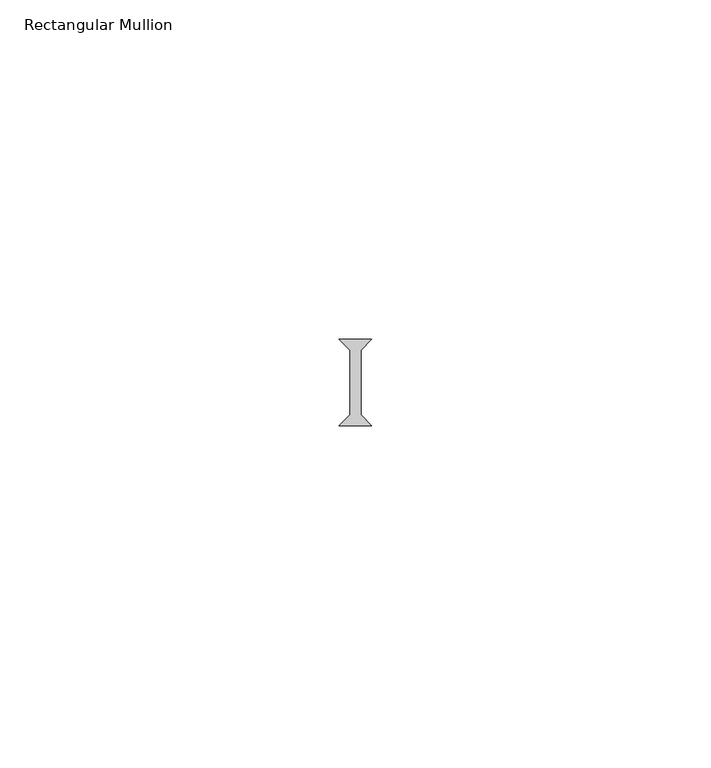
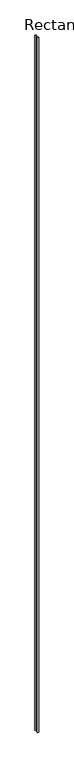
"""IFC4 building model written with IfcOpenShell, lengths in millimetres: member geometry, Rectangular Mullion."""

from ifc_helpers import new_model, si_unit, frame, origin, place, context, project, spatial, polyline, outline, extrude, source, transform, mapped, element, save


def rectangular_mullion_c4b9de5b(model_context):
    return source(origin(), model_context, "Body", "SweptSolid", [
        extrude(outline(polyline([(-2.38125, -6.35), (-0.79375, -4.7625), (-0.79375, 4.7625), (-2.38125, 6.35), (2.38125, 6.35), (0.79375, 4.7625), (0.79375, -4.7625), (2.38125, -6.35), (-2.38125, -6.35)])), frame((0.0, 0.0, -2359.025), z_axis=(0.0, 0.0, 1.0), x_axis=(1.0, 0.0, 0.0)), (0.0, 0.0, 1.0), 2359.025),
    ])


if __name__ == "__main__":
    model = new_model("IFC4")
    model_context = context("Model", 3, world=origin())
    ifc_project = project(units=[si_unit("LENGTHUNIT", "METRE", prefix="MILLI")], contexts=[model_context])
    site = spatial("IfcSite", under=ifc_project)
    building = spatial("IfcBuilding", under=site)
    placement = place(None, origin())
    rectangular_mullion_shape = rectangular_mullion_c4b9de5b(model_context)
    element("IfcMember", 1, ObjectType="Rectangular Mullion", at=placement, inside=building, context=model_context, shape_type="MappedRepresentation", body=[
        mapped(rectangular_mullion_shape, transform((0.0, 0.0, 0.0), x_axis=(1.0, 0.0, 0.0), y_axis=(0.0, 1.0, 0.0), z_axis=(0.0, 0.0, 1.0))),
    ])
    save(model, "model.ifc")
